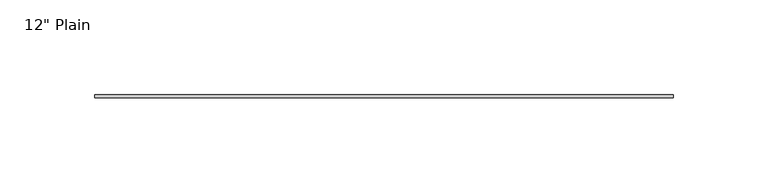
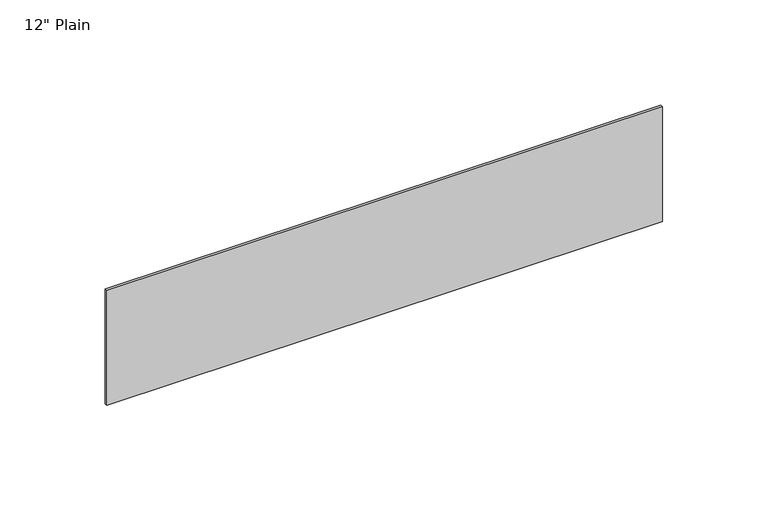
"""IFC4 building model written with IfcOpenShell, lengths in millimetres: furniture geometry."""

from ifc_helpers import new_model, si_unit, frame, origin, place, context, project, spatial, polyline, outline, extrude, source, transform, mapped, element, save


def furniture_fb0790d5(model_context):
    return source(origin(), model_context, "Body", "SweptSolid", [
        extrude(outline(polyline([(171.1377049, -1.5875), (-133.6622951, -1.5875), (-133.6622951, 0.0), (171.1377049, 0.0), (171.1377049, -1.5875)])), frame((0.0, 0.0, 965.2), z_axis=(0.0, 0.0, 1.0), x_axis=(1.0, 0.0, 0.0)), (0.0, 0.0, 1.0), 66.675),
    ])


if __name__ == "__main__":
    model = new_model("IFC4")
    model_context = context("Model", 3, world=origin())
    ifc_project = project(units=[si_unit("LENGTHUNIT", "METRE", prefix="MILLI")], contexts=[model_context])
    site = spatial("IfcSite", under=ifc_project)
    building = spatial("IfcBuilding", under=site)
    placement = place(None, origin())
    furniture_shape = furniture_fb0790d5(model_context)
    element("IfcFurniture", 1, ObjectType="12\" Plain", at=placement, inside=building, context=model_context, shape_type="MappedRepresentation", body=[
        mapped(furniture_shape, transform((0.0, 0.0, 0.0), x_axis=(1.0, 0.0, 0.0), y_axis=(0.0, 1.0, 0.0), z_axis=(0.0, 0.0, 1.0))),
    ])
    save(model, "model.ifc")
